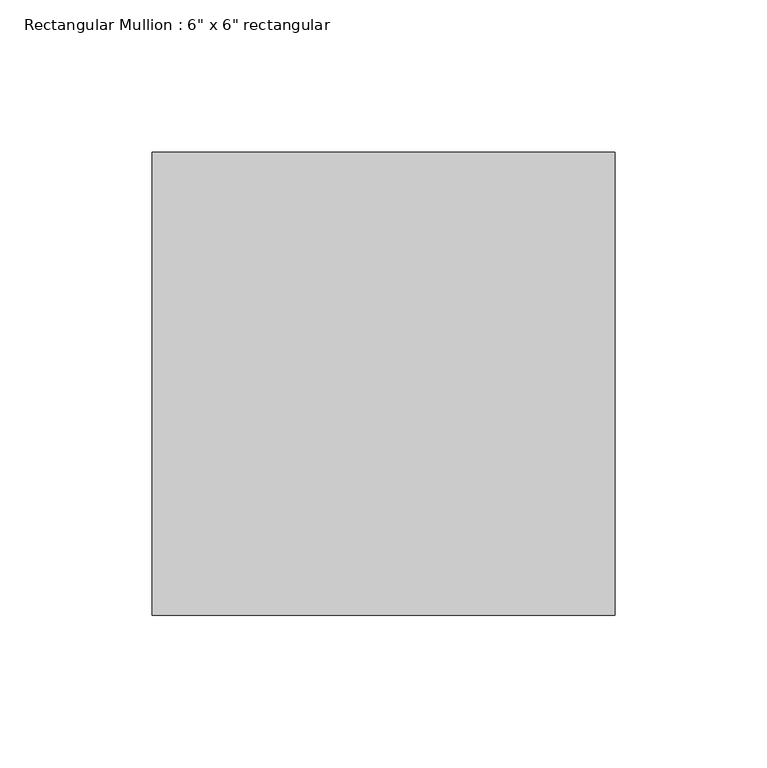
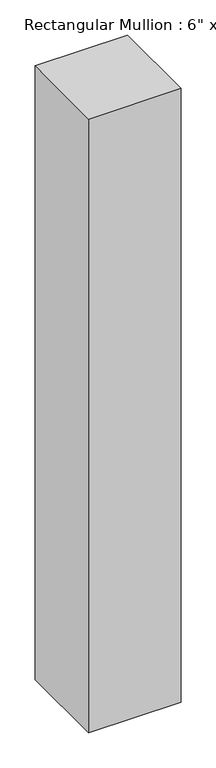
"""IFC4 building model written with IfcOpenShell, lengths in millimetres: member geometry."""

import ifcopenshell
import ifcopenshell.guid

model = None  # the IFC model being written
_history = None  # IfcOwnerHistory: only IFC2X3 demands one
_inside = {}  # id of a spatial element -> (the spatial element, [elements in it])
_under = {}  # id of a project, library or spatial element -> (it, [spatial elements below it])
_declared = {}  # id of a project -> (the project, [libraries it declares])
_typed = {}  # id of a type object -> (the type object, [elements of that type])
_made_of = {}  # id of a material, layer set ... -> (it, [elements and type objects made of it])


def new_model(schema):
    """Start an empty IFC model of exactly this schema.

    Asked for "IFC4X3", IfcOpenShell would pick the latest addendum, in which some entities
    have other attributes; the version numbers below select the first issue.
    IFC2X3 requires an IfcOwnerHistory on every rooted entity: one is made here for all.
    """
    global model, _history
    if schema == "IFC4X3":
        model = ifcopenshell.file(schema_version=(4, 3, 0, 0))
    else:
        model = ifcopenshell.file(schema=schema)
    _inside.clear()
    _under.clear()
    _declared.clear()
    _typed.clear()
    _made_of.clear()
    _history = None
    if model.schema == "IFC2X3":
        org = make("IfcOrganization", Name="unknown")
        user = make(
            "IfcPersonAndOrganization",
            ThePerson=make("IfcPerson", FamilyName="unknown"),
            TheOrganization=org,
        )
        app = make(
            "IfcApplication",
            ApplicationDeveloper=org,
            Version="unknown",
            ApplicationFullName="unknown",
            ApplicationIdentifier="unknown",
        )
        _history = make(
            "IfcOwnerHistory",
            OwningUser=user,
            OwningApplication=app,
            ChangeAction="ADDED",
            CreationDate=0,
        )
    return model


def make(cls, **values):
    """One entity of the class cls with the attributes given. An attribute that is None is left unset."""
    return model.create_entity(
        cls, **{name: value for name, value in values.items() if value is not None}
    )


def rooted(cls, **values):
    """An entity with a GlobalId (a new one), such as an element, a storey or a relation."""
    return make(cls, GlobalId=ifcopenshell.guid.new(), OwnerHistory=_history, **values)


def si_unit(unit_type, name, prefix=None):
    """IfcSIUnit, for example si_unit("LENGTHUNIT", "METRE", prefix="MILLI")."""
    return make("IfcSIUnit", UnitType=unit_type, Prefix=prefix, Name=name)


def assignment(units):
    """IfcUnitAssignment: the units of a project."""
    return None if units is None else make("IfcUnitAssignment", Units=units)


def point(xyz):
    """IfcCartesianPoint."""
    return None if xyz is None else make("IfcCartesianPoint", Coordinates=xyz)


def direction(xyz):
    """IfcDirection."""
    return None if xyz is None else make("IfcDirection", DirectionRatios=xyz)


def frame(location, z_axis=None, x_axis=None):
    """IfcAxis2Placement3D, a coordinate frame: its origin and axes. An axis left out is left unset."""
    return make(
        "IfcAxis2Placement3D",
        Location=point(location),
        Axis=direction(z_axis),
        RefDirection=direction(x_axis),
    )


def origin():
    """The frame at (0, 0, 0) with its axes left unset."""
    return frame((0.0, 0.0, 0.0))


def place(relative_to, where):
    """IfcLocalPlacement: puts the frame where relative to a parent placement (None: the world)."""
    return make(
        "IfcLocalPlacement", PlacementRelTo=relative_to, RelativePlacement=where
    )


def context(
    kind, dimensions, precision=None, world=None, true_north=None, identifier=None
):
    """IfcGeometricRepresentationContext, for example the 3D "Model" context."""
    return make(
        "IfcGeometricRepresentationContext",
        ContextIdentifier=identifier,
        ContextType=kind,
        CoordinateSpaceDimension=dimensions,
        Precision=precision,
        WorldCoordinateSystem=world,
        TrueNorth=true_north,
    )


def project(units=None, contexts=None):
    """IfcProject with its units and contexts."""
    return rooted(
        "IfcProject",
        Name="project",
        RepresentationContexts=contexts,
        UnitsInContext=assignment(units),
    )


def spatial(cls, under=None, at=None, **own):
    """A site, building, storey or space (cls), placed at a placement, below another one or the project."""
    s = rooted(cls, ObjectPlacement=at, **own)
    if under is not None:
        _under.setdefault(under.id(), (under, []))[1].append(s)
    return s


def polyline(points):
    """IfcPolyline through the points."""
    return make("IfcPolyline", Points=[point(p) for p in points])


def outline(outer, holes=None, kind="AREA"):
    """IfcArbitraryClosedProfileDef: a profile drawn as a closed curve; with holes, ...WithVoids."""
    if holes is None:
        return make("IfcArbitraryClosedProfileDef", ProfileType=kind, OuterCurve=outer)
    return make(
        "IfcArbitraryProfileDefWithVoids",
        ProfileType=kind,
        OuterCurve=outer,
        InnerCurves=holes,
    )


def extrude(swept, where, along, depth):
    """IfcExtrudedAreaSolid: the profile swept, set in the frame where, extruded along a direction by depth."""
    return make(
        "IfcExtrudedAreaSolid",
        SweptArea=swept,
        Position=where,
        ExtrudedDirection=direction(along),
        Depth=depth,
    )


def shape(context_of_items, identifier, shape_type, items):
    """IfcShapeRepresentation: the items that make up one representation, for example the "Body"."""
    return make(
        "IfcShapeRepresentation",
        ContextOfItems=context_of_items,
        RepresentationIdentifier=identifier,
        RepresentationType=shape_type,
        Items=items,
    )


def source(mapping_origin, context_of_items, identifier, shape_type, items):
    """IfcRepresentationMap: a shape defined once, which mapped items show again and again."""
    return make(
        "IfcRepresentationMap",
        MappingOrigin=mapping_origin,
        MappedRepresentation=shape(context_of_items, identifier, shape_type, items),
    )


def transform(
    local_origin,
    x_axis=None,
    y_axis=None,
    z_axis=None,
    scale=None,
    scale2=None,
    scale3=None,
    uniform=True,
):
    """IfcCartesianTransformationOperator3D, or its non-uniform kind. x_axis, y_axis, z_axis: its Axis1, 2, 3."""
    if uniform:
        return make(
            "IfcCartesianTransformationOperator3D",
            Axis1=direction(x_axis),
            Axis2=direction(y_axis),
            LocalOrigin=point(local_origin),
            Scale=scale,
            Axis3=direction(z_axis),
        )
    return make(
        "IfcCartesianTransformationOperator3DnonUniform",
        Axis1=direction(x_axis),
        Axis2=direction(y_axis),
        LocalOrigin=point(local_origin),
        Scale=scale,
        Axis3=direction(z_axis),
        Scale2=scale2,
        Scale3=scale3,
    )


def mapped(mapping_source, mapping_target):
    """IfcMappedItem: shows the shape of a source again, moved by a transform."""
    return make(
        "IfcMappedItem", MappingSource=mapping_source, MappingTarget=mapping_target
    )


def made_of(thing, what):
    """Note that an element or type object is made of a material, layer set ...; save() writes the relation."""
    if what is not None:
        _made_of.setdefault(what.id(), (what, []))[1].append(thing)
    return thing


def element(
    cls,
    number,
    at=None,
    inside=None,
    cuts=None,
    type_object=None,
    material=None,
    context=None,
    identifier="Body",
    shape_type=None,
    held_by="IfcProductDefinitionShape",
    body=None,
    shapes=None,
    **own,
):
    """One element of the class cls, such as IfcWall. Its Tag is "e" and its number.

    at: its placement. inside: the storey or other place that contains it. cuts: it is an
    opening in that element (IfcRelVoidsElement). A single representation is given by context,
    identifier, shape_type and body (its items); several are given by shapes. held_by: the class
    of the entity that holds the representations. save() writes the other relations.
    """
    e = rooted(cls, Tag="e%d" % number, ObjectPlacement=at, **own)
    if body is not None:
        shapes = [shape(context, identifier, shape_type, body)]
    if shapes is not None:
        e.Representation = make(held_by, Representations=shapes)
    if inside is not None:
        _inside.setdefault(inside.id(), (inside, []))[1].append(e)
    if cuts is not None:
        rooted(
            "IfcRelVoidsElement", RelatingBuildingElement=cuts, RelatedOpeningElement=e
        )
    if type_object is not None:
        _typed.setdefault(type_object.id(), (type_object, []))[1].append(e)
    return made_of(e, material)


def aggregate(whole, parts):
    """IfcRelAggregates: a whole, such as a stair, and the parts it consists of."""
    return rooted("IfcRelAggregates", RelatingObject=whole, RelatedObjects=parts)


def save(model, path):
    """Write the relations noted so far, then the file.

    IfcRelAggregates (storeys below a building ...), IfcRelContainedInSpatialStructure (elements
    in a storey), IfcRelDefinesByType, IfcRelAssociatesMaterial and IfcRelDeclares: one each for
    every whole, place, type object, material and project.
    """
    for whole, parts in _under.values():
        aggregate(whole, parts)
    for where, things in _inside.values():
        rooted(
            "IfcRelContainedInSpatialStructure",
            RelatedElements=things,
            RelatingStructure=where,
        )
    for kind, things in _typed.values():
        rooted("IfcRelDefinesByType", RelatedObjects=things, RelatingType=kind)
    for what, things in _made_of.values():
        rooted("IfcRelAssociatesMaterial", RelatedObjects=things, RelatingMaterial=what)
    for by, libraries in _declared.values():
        rooted("IfcRelDeclares", RelatingContext=by, RelatedDefinitions=libraries)
    model.write(path)


def member_fb24874e(model_context):
    return source(origin(), model_context, "Body", "SweptSolid", [
        extrude(outline(polyline([(0.0, 76.2), (0.0, -76.2), (-152.4, -76.2), (-152.4, 76.2), (0.0, 76.2)])), frame((0.0, 0.0, -1066.8), z_axis=(0.0, 0.0, 1.0), x_axis=(1.0, 0.0, 0.0)), (0.0, 0.0, 1.0), 1066.8),
    ])


if __name__ == "__main__":
    model = new_model("IFC4")
    model_context = context("Model", 3, world=origin())
    ifc_project = project(units=[si_unit("LENGTHUNIT", "METRE", prefix="MILLI")], contexts=[model_context])
    site = spatial("IfcSite", under=ifc_project)
    building = spatial("IfcBuilding", under=site)
    placement = place(None, origin())
    member_shape = member_fb24874e(model_context)
    element("IfcMember", 1, ObjectType="Rectangular Mullion : 6\" x 6\" rectangular", at=placement, inside=building, context=model_context, shape_type="MappedRepresentation", body=[
        mapped(member_shape, transform((0.0, 0.0, 0.0), x_axis=(1.0, 0.0, 0.0), y_axis=(0.0, 1.0, 0.0), z_axis=(0.0, 0.0, 1.0))),
    ])
    save(model, "model.ifc")
